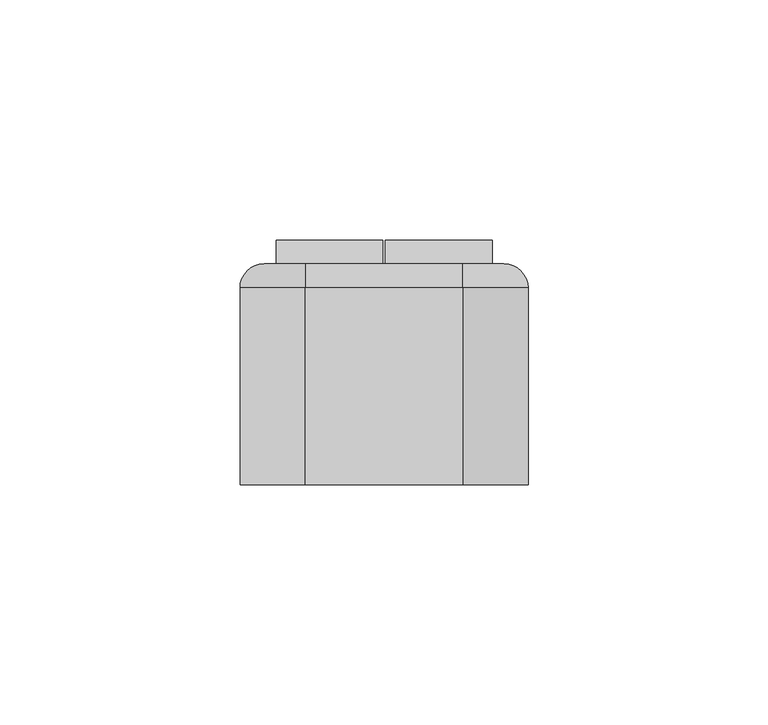
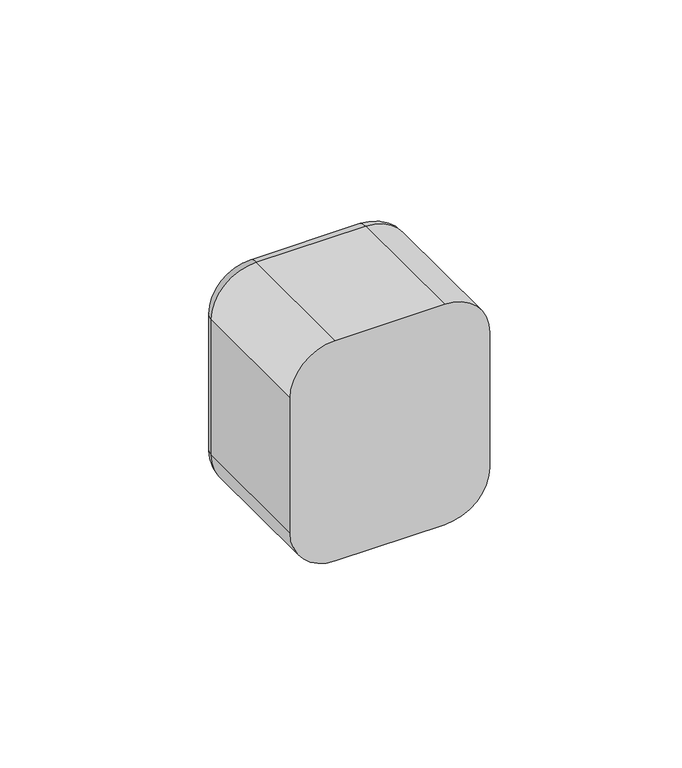
"""IFC4 building model written with IfcOpenShell, lengths in millimetres: switching device geometry."""

from ifc_helpers import new_model, si_unit, point, frame, origin, place, context, project, spatial, polyline, circle_curve, ellipse_curve, trimmed, outline, extrude, faceted_brep, source, transform, mapped, element, save
from ifc_brep_helpers import plane_surface, cylinder_surface, revolved_surface, advanced_brep


def switching_device_b21be5d6(model_context):
    return source(origin(), model_context, "Body", "SolidModel", [
        advanced_brep(
        [(16.4328665, 46.0, 30.0), (25.0, 46.0, 21.4328665), (25.0, 46.0, -21.4328665), (16.4328665, 46.0, -30.0), (-16.4328665, 46.0, -30.0), (-25.0, 46.0, -21.4328665), (-25.0, 46.0, 21.4328665), (-16.4328665, 46.0, 30.0), (22.5, 46.0, 22.5), (-22.5, 46.0, 22.5), (-22.5, 46.0, -22.5), (22.5, 46.0, -22.5), (-16.4328665, 0.0, 35.0), (-30.0, 0.0, 21.4328665), (-30.0, 0.0, -21.4328665), (-16.4328665, 0.0, -35.0), (16.4328665, 0.0, -35.0), (30.0, 0.0, -21.4328665), (30.0, 0.0, 21.4328665), (16.4328665, 0.0, 35.0), (22.5, 2.0, -22.5), (22.5, 2.0, 22.5), (-22.5, 2.0, -22.5), (-22.5, 2.0, 22.5), (-30.0, 41.0, 21.4328665), (-30.0, 41.0, -21.4328665), (-16.4328665, 41.0, -35.0), (16.4328665, 41.0, -35.0), (30.0, 41.0, -21.4328665), (30.0, 41.0, 21.4328665), (16.4328665, 41.0000072, 35.0), (-16.4328665, 41.0, 35.0)],
        [
            (0, 1, circle_curve(frame((16.4328665, 46.0, 21.4328665), z_axis=(0.0, 1.0, 0.0), x_axis=(0.0, 0.0, 1.0)), 8.5671335)),
            (1, 2),
            (2, 3, circle_curve(frame((16.4328665, 46.0, -21.4328665), z_axis=(0.0, 1.0, 0.0), x_axis=(1.0, 0.0, 0.0)), 8.5671335)),
            (3, 4),
            (4, 5, circle_curve(frame((-16.4328665, 46.0, -21.4328665), z_axis=(0.0, 1.0, 0.0), x_axis=(0.0, 0.0, -1.0)), 8.5671335)),
            (5, 6),
            (6, 7, circle_curve(frame((-16.4328665, 46.0, 21.4328665), z_axis=(0.0, 1.0, 0.0), x_axis=(-1.0, 0.0, 0.0)), 8.5671335)),
            (7, 0),
            (8, 9),
            (9, 10),
            (10, 11),
            (11, 8),
            (12, 13, circle_curve(frame((-16.4328665, 0.0, 21.4328665), z_axis=(0.0, -1.0, 0.0), x_axis=(1.0, 0.0, 0.0)), 13.5671335)),
            (13, 14),
            (14, 15, circle_curve(frame((-16.4328665, 0.0, -21.4328665), z_axis=(0.0, -1.0, 0.0), x_axis=(1.0, 0.0, 0.0)), 13.5671335)),
            (15, 16),
            (16, 17, circle_curve(frame((16.4328665, 0.0, -21.4328665), z_axis=(0.0, -1.0, 0.0), x_axis=(1.0, 0.0, 0.0)), 13.5671335)),
            (17, 18),
            (18, 19, circle_curve(frame((16.4328665, 0.0, 21.4328665), z_axis=(0.0, -1.0, 0.0), x_axis=(1.0, 0.0, 0.0)), 13.5671335)),
            (19, 12),
            (11, 20),
            (20, 21),
            (21, 8),
            (10, 22),
            (22, 20),
            (9, 23),
            (23, 22),
            (21, 23),
            (13, 24),
            (24, 25),
            (25, 14),
            (15, 26),
            (26, 27),
            (27, 16),
            (17, 28),
            (28, 29),
            (29, 18),
            (19, 30),
            (30, 31),
            (31, 12),
            (31, 24, circle_curve(frame((-16.4328665, 41.0, 21.4328665), z_axis=(0.0, -1.0, 0.0), x_axis=(1.0, 0.0, 0.0)), 13.5671335)),
            (25, 26, circle_curve(frame((-16.4328665, 41.0, -21.4328665), z_axis=(0.0, -1.0, 0.0), x_axis=(1.0, 0.0, 0.0)), 13.5671335)),
            (27, 28, circle_curve(frame((16.4328665, 41.0, -21.4328665), z_axis=(0.0, -1.0, 0.0), x_axis=(1.0, 0.0, 0.0)), 13.5671335)),
            (29, 30, circle_curve(frame((16.4328665, 41.0, 21.4328665), z_axis=(0.0, -1.0, 0.0), x_axis=(1.0, 0.0, 0.0)), 13.5671335)),
            (29, 1, circle_curve(frame((25.0, 41.0, 21.4328665), z_axis=(0.0, 0.0, 1.0), x_axis=(0.0, 1.0, 0.0)), 5.0)),
            (0, 30, circle_curve(frame((16.4328665, 41.0, 30.0), z_axis=(1.0, 0.0, 0.0), x_axis=(0.0, 1.0, 0.0)), 5.0)),
            (28, 2, circle_curve(frame((25.0, 41.0, -21.4328665), z_axis=(0.0, 0.0, 1.0), x_axis=(0.0, 1.0, 0.0)), 5.0)),
            (27, 3, circle_curve(frame((16.4328665, 41.0, -30.0), z_axis=(1.0, 0.0, 0.0), x_axis=(0.0, 1.0, 0.0)), 5.0)),
            (26, 4, circle_curve(frame((-16.4328665, 41.0, -30.0), z_axis=(1.0, 0.0, 0.0), x_axis=(0.0, 1.0, 0.0)), 5.0)),
            (25, 5, circle_curve(frame((-25.0, 41.0, -21.4328665), z_axis=(0.0, 0.0, -1.0), x_axis=(0.0, 1.0, 0.0)), 5.0)),
            (24, 6, circle_curve(frame((-25.0, 41.0, 21.4328665), z_axis=(0.0, 0.0, -1.0), x_axis=(0.0, 1.0, 0.0)), 5.0)),
            (31, 7, circle_curve(frame((-16.4328665, 41.0, 30.0), z_axis=(-1.0, 0.0, 0.0), x_axis=(0.0, 1.0, 0.0)), 5.0)),
        ],
        [
            plane_surface(frame((22.5, 46.0, 6.9412233), z_axis=(0.0, 1.0, 0.0), x_axis=(0.0, 0.0, 1.0))),
            plane_surface(frame((22.5, 0.0, 6.9412233), z_axis=(0.0, -1.0, 0.0), x_axis=(0.0, 0.0, -1.0))),
            plane_surface(frame((22.5, 0.0, 22.5), z_axis=(-1.0, 0.0, 0.0), x_axis=(0.0, 1.0, 0.0))),
            plane_surface(frame((22.5, 0.0, -22.5), z_axis=(0.0, 0.0, 1.0), x_axis=(0.0, 1.0, 0.0))),
            plane_surface(frame((-22.5, 0.0, -22.5), z_axis=(1.0, 0.0, 0.0), x_axis=(0.0, 1.0, 0.0))),
            plane_surface(frame((-22.5, 0.0, 22.5), z_axis=(0.0, 0.0, -1.0), x_axis=(0.0, 1.0, 0.0))),
            plane_surface(frame((-30.0, 0.0, 21.4328665), z_axis=(-1.0, 0.0, 0.0), x_axis=(0.0, 1.0, 0.0))),
            plane_surface(frame((-16.4328665, 0.0, -35.0), z_axis=(0.0, 0.0, -1.0), x_axis=(0.0, 1.0, 0.0))),
            plane_surface(frame((30.0, 0.0, -21.4328665), z_axis=(1.0, 0.0, 0.0), x_axis=(0.0, 1.0, 0.0))),
            plane_surface(frame((16.4328665, 0.0, 35.0), z_axis=(0.0, 0.0, 1.0), x_axis=(0.0, 1.0, 0.0))),
            cylinder_surface(frame((-16.4328665, 0.0, 21.4328665), z_axis=(0.0, -1.0, 0.0), x_axis=(1.0, 0.0, 0.0)), 13.5671335),
            cylinder_surface(frame((-16.4328665, 0.0, -21.4328665), z_axis=(0.0, -1.0, 0.0), x_axis=(1.0, 0.0, 0.0)), 13.5671335),
            cylinder_surface(frame((16.4328665, 0.0, -21.4328665), z_axis=(0.0, -1.0, 0.0), x_axis=(1.0, 0.0, 0.0)), 13.5671335),
            cylinder_surface(frame((16.4328665, 0.0, 21.4328665), z_axis=(0.0, -1.0, 0.0), x_axis=(1.0, 0.0, 0.0)), 13.5671335),
            plane_surface(frame((-22.5, 2.0, 31.0), z_axis=(0.0, 1.0, 0.0), x_axis=(0.0, 0.0, 1.0))),
            revolved_surface(trimmed(ellipse_curve(frame((16.4328665, 41.0, 30.0), z_axis=(-1.0, 0.0, 0.0), x_axis=(0.0, 1.0, 0.0)), 5.0, 5.0), [point((16.4328665, 41.0, 35.0))], [point((16.4328665, 46.0, 30.0))], True, "CARTESIAN"), (16.4328665, 46.0, 21.4328665), (0.0, 1.0, 0.0)),
            cylinder_surface(frame((25.0, 41.0, 21.4328665), z_axis=(0.0, 0.0, -1.0), x_axis=(0.0, 1.0, 0.0)), 5.0),
            revolved_surface(trimmed(ellipse_curve(frame((25.0, 41.0, -21.4328665), z_axis=(0.0, 0.0, 1.0), x_axis=(0.0, 1.0, 0.0)), 5.0, 5.0), [point((30.0, 41.0, -21.4328665))], [point((25.0, 46.0, -21.4328665))], True, "CARTESIAN"), (16.4328665, 46.0, -21.4328665), (0.0, 1.0, 0.0)),
            cylinder_surface(frame((16.4328665, 41.0, -30.0), z_axis=(-1.0, 0.0, 0.0), x_axis=(0.0, 1.0, 0.0)), 5.0),
            revolved_surface(trimmed(ellipse_curve(frame((-16.4328665, 41.0, -30.0), z_axis=(1.0, 0.0, 0.0), x_axis=(0.0, 1.0, 0.0)), 5.0, 5.0), [point((-16.4328665, 41.0, -35.0))], [point((-16.4328665, 46.0, -30.0))], True, "CARTESIAN"), (-16.4328665, 46.0, -21.4328665), (0.0, 1.0, 0.0)),
            cylinder_surface(frame((-25.0, 41.0, -21.4328665), z_axis=(0.0, 0.0, 1.0), x_axis=(0.0, 1.0, 0.0)), 5.0),
            revolved_surface(trimmed(ellipse_curve(frame((-25.0, 41.0, 21.4328665), z_axis=(0.0, 0.0, -1.0), x_axis=(0.0, 1.0, 0.0)), 5.0, 5.0), [point((-30.0, 41.0, 21.4328665))], [point((-25.0, 46.0, 21.4328665))], True, "CARTESIAN"), (-16.4328665, 46.0, 21.4328665), (0.0, 1.0, 0.0)),
            cylinder_surface(frame((-16.4328665, 41.0, 30.0), z_axis=(1.0, 0.0, 0.0), x_axis=(0.0, 1.0, 0.0)), 5.0),
        ],
        [
            (0, [[1, 2, 3, 4, 5, 6, 7, 8], [9, 10, 11, 12]]),
            (1, [[13, 14, 15, 16, 17, 18, 19, 20]]),
            (2, [[-12, 21, 22, 23]]),
            (3, [[-11, 24, 25, -21]]),
            (4, [[-10, 26, 27, -24]]),
            (5, [[-9, -23, 28, -26]]),
            (6, [[-14, 29, 30, 31]]),
            (7, [[-16, 32, 33, 34]]),
            (8, [[-18, 35, 36, 37]]),
            (9, [[-20, 38, 39, 40]]),
            (10, [[-13, -40, 41, -29]]),
            (11, [[-15, -31, 42, -32]]),
            (12, [[-17, -34, 43, -35]]),
            (13, [[-19, -37, 44, -38]]),
            (14, [[-22, -25, -27, -28]]),
            (15, [[45, -1, 46, -44]]),
            (16, [[-45, -36, 47, -2]]),
            (17, [[-47, -43, 48, -3]]),
            (18, [[-48, -33, 49, -4]]),
            (19, [[-49, -42, 50, -5]]),
            (20, [[-50, -30, 51, -6]]),
            (21, [[-51, -41, 52, -7]]),
            (22, [[-46, -8, -52, -39]]),
        ],
    ),
        extrude(outline(polyline([(0.0, -2.0), (0.0, 0.0), (0.9999999, 0.0), (0.9999999, -2.0), (0.0, -2.0)])), frame((4.0, 48.2452249, -2.4844182), z_axis=(0.0, 0.11147470448260181, 0.9937672716790973), x_axis=(0.0, -0.9937672716790973, 0.11147470448260181)), (0.0, 0.0, 1.0), 5.0),
        faceted_brep([(22.5, 46.0, -22.5), (22.5, 50.9850961, 21.9408026), (22.5, 46.0, 22.5), (0.25, 46.0, -22.5), (0.25, 46.0, 22.5), (0.25, 50.9850961, 21.9408026), (4.0, 48.2452249, -2.4844182), (4.0, 48.8025985, 2.4844182), (2.0, 48.8025985, 2.4844182), (2.0, 48.2452249, -2.4844182), (4.0, 47.2514577, -2.3729435), (2.0, 47.2514577, -2.3729435), (2.0, 47.8088312, 2.5958929), (4.0, 47.8088312, 2.5958929)], [[[0, 1, 2]], [[3, 4, 5]], [[1, 0, 3, 5], [6, 7, 8, 9]], [[2, 1, 5, 4]], [[0, 2, 4, 3]], [[10, 11, 12, 13]], [[10, 13, 7, 6]], [[13, 12, 8, 7]], [[12, 11, 9, 8]], [[11, 10, 6, 9]]]),
        faceted_brep([(-0.25, 46.0, -22.5), (-0.25, 50.9850961, 21.9408026), (-0.25, 46.0, 22.5), (-22.5, 46.0, -22.5), (-22.5, 46.0, 22.5), (-22.5, 50.9850961, 21.9408026), (-2.0, 48.2452249, -2.4844182), (-2.0, 48.8025985, 2.4844182), (-4.0, 48.8025985, 2.4844182), (-4.0, 48.2452249, -2.4844182), (-2.0, 47.2514577, -2.3729435), (-4.0, 47.2514577, -2.3729435), (-4.0, 47.8088312, 2.5958929), (-2.0, 47.8088312, 2.5958929)], [[[0, 1, 2]], [[3, 4, 5]], [[1, 0, 3, 5], [6, 7, 8, 9]], [[2, 1, 5, 4]], [[0, 2, 4, 3]], [[10, 11, 12, 13]], [[10, 13, 7, 6]], [[13, 12, 8, 7]], [[12, 11, 9, 8]], [[11, 10, 6, 9]]]),
        extrude(outline(polyline([(0.0, -2.0), (0.0, 0.0), (0.9999999, 0.0), (0.9999999, -2.0), (0.0, -2.0)])), frame((-2.0, 48.2452249, -2.4844182), z_axis=(0.0, 0.11147470448260181, 0.9937672716790973), x_axis=(0.0, -0.9937672716790973, 0.11147470448260181)), (0.0, 0.0, 1.0), 5.0),
        extrude(outline(polyline([(22.5, 2.0), (-22.5, 2.0), (-22.5, 38.0), (22.5, 38.0), (22.5, 2.0)])), frame((0.0, 0.0, -22.5), z_axis=(0.0, 0.0, 1.0), x_axis=(1.0, 0.0, 0.0)), (0.0, 0.0, 1.0), 45.0),
        extrude(outline(polyline([(22.5, 38.0), (-22.5, 38.0), (-22.5, 46.0), (22.5, 46.0), (22.5, 38.0)])), frame((0.0, 0.0, -22.5), z_axis=(0.0, 0.0, 1.0), x_axis=(1.0, 0.0, 0.0)), (0.0, 0.0, 1.0), 45.0),
    ])


if __name__ == "__main__":
    model = new_model("IFC4")
    model_context = context("Model", 3, world=origin())
    ifc_project = project(units=[si_unit("LENGTHUNIT", "METRE", prefix="MILLI")], contexts=[model_context])
    site = spatial("IfcSite", under=ifc_project)
    building = spatial("IfcBuilding", under=site)
    placement = place(None, origin())
    switching_device_shape = switching_device_b21be5d6(model_context)
    element("IfcSwitchingDevice", 1, at=placement, inside=building, context=model_context, shape_type="MappedRepresentation", body=[
        mapped(switching_device_shape, transform((0.0, 0.0, 0.0), x_axis=(1.0, 0.0, 0.0), y_axis=(0.0, 1.0, 0.0), z_axis=(0.0, 0.0, 1.0))),
    ])
    save(model, "model.ifc")
